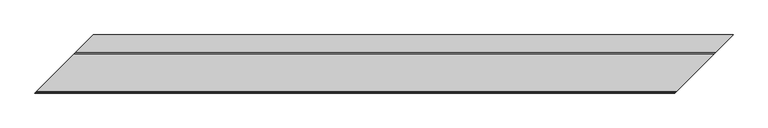
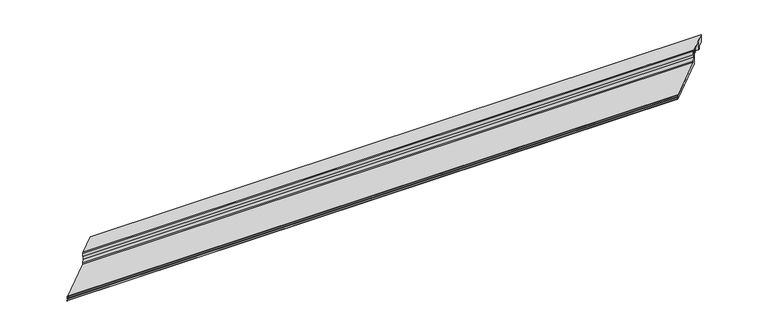
"""IFC4 building model written with IfcOpenShell, lengths in millimetres: proxy geometry."""

from ifc_helpers import new_model, si_unit, frame, origin, place, context, project, spatial, polyline, ellipse_curve, faceted_brep, source, transform, mapped, element, save
from ifc_brep_helpers import plane_surface, cylinder_surface, revolved_surface, advanced_brep


def specialty_equipment_6fc9a6f1(model_context):
    return source(origin(), model_context, "Body", "SolidModel", [
        faceted_brep([(165.632524, 165.632524, 63.5), (235.482524, 235.482524, 63.5), (235.482524, 235.482524, 31.75), (215.241899, 215.241899, 31.75), (215.241899, 215.241899, 19.05), (212.9598677, 212.9598677, 19.05), (212.9598677, 212.9598677, 61.1898306), (175.284524, 175.284524, 61.1898306), (175.284524, 175.284524, 44.45), (165.632524, 165.632524, 44.45), (2826.2751315, 235.482524, 63.5), (2756.4251315, 165.632524, 63.5), (2756.4251315, 165.632524, 44.45), (2766.0771315, 175.284524, 44.45), (2766.0771315, 175.284524, 61.1898306), (2803.7524752, 212.9598677, 61.1898306), (2803.7524752, 212.9598677, 19.05), (2806.0345065, 215.241899, 19.05), (2806.0345065, 215.241899, 31.75), (2826.2751315, 235.482524, 31.75)], [[[0, 1, 2, 3, 4, 5, 6, 7, 8, 9]], [[10, 11, 12, 13, 14, 15, 16, 17, 18, 19]], [[10, 1, 0, 11]], [[11, 0, 9, 12]], [[12, 9, 8, 13]], [[13, 8, 7, 14]], [[14, 7, 6, 15]], [[15, 6, 5, 16]], [[16, 5, 4, 17]], [[17, 4, 3, 18]], [[18, 3, 2, 19]], [[1, 10, 19, 2]]]),
        advanced_brep(
        [(165.632524, 165.632524, 0.0), (0.0, 0.0, 0.0), (0.0, 0.0, 1.651), (8.368424, 8.368424, 1.7970714), (8.368424, 8.368424, 9.7466904), (7.805541, 7.805541, 10.3095735), (1.0402986, 1.0402986, 10.3095735), (0.5832573, 0.5832573, 11.0269846), (2.843924, 2.843924, 15.875), (5.206124, 5.206124, 15.875), (5.206124, 5.206124, 12.7), (159.282524, 159.282524, 12.7), (159.282524, 159.282524, 19.05), (163.346524, 163.346524, 31.75), (163.346524, 163.346524, 46.0298451), (158.495124, 158.495124, 48.3942822), (158.495124, 158.495124, 63.5), (165.632524, 165.632524, 63.5), (2590.7926075, 0.0, 0.0), (2756.4251315, 165.632524, 0.0), (2756.4251315, 165.632524, 63.5), (2749.2877315, 158.495124, 63.5), (2749.2877315, 158.495124, 48.3942822), (2754.1391315, 163.346524, 46.0298451), (2754.1391315, 163.346524, 31.75), (2750.0751315, 159.282524, 19.05), (2750.0751315, 159.282524, 12.7), (2595.9987315, 5.206124, 12.7), (2595.9987315, 5.206124, 15.875), (2593.6365315, 2.843924, 15.875), (2591.3758648, 0.5832573, 11.0269846), (2591.8329061, 1.0402986, 10.3095735), (2598.5981485, 7.805541, 10.3095735), (2599.1610315, 8.368424, 9.7466904), (2599.1610315, 8.368424, 1.7970714), (2590.7926075, 0.0, 1.651)],
        [
            (0, 1),
            (1, 2),
            (2, 3),
            (3, 4),
            (4, 5, ellipse_curve(frame((7.805541, 7.805541, 9.7466904), z_axis=(0.7071067811865485, -0.7071067811865466, 0.0), x_axis=(0.7071067811865466, 0.7071067811865485, 0.0)), 0.7960368, 0.562883)),
            (5, 6),
            (6, 7, ellipse_curve(frame((1.0402986, 1.0402986, 10.8138628), z_axis=(-0.7071067811865485, 0.7071067811865466, 0.0), x_axis=(-0.7071067811865466, -0.7071067811865485, 0.0)), 0.7131728, 0.5042893)),
            (7, 8),
            (8, 9),
            (9, 10),
            (10, 11),
            (11, 12),
            (12, 13),
            (13, 14),
            (14, 15),
            (15, 16),
            (16, 17),
            (17, 0),
            (18, 19),
            (19, 20),
            (20, 21),
            (21, 22),
            (22, 23),
            (23, 24),
            (24, 25),
            (25, 26),
            (26, 27),
            (27, 28),
            (28, 29),
            (29, 30),
            (30, 31, ellipse_curve(frame((2591.8329061, 1.0402986, 10.8138628), z_axis=(0.7071067811865469, -0.7071067811865482, 0.0), x_axis=(-0.707106781186548, -0.7071067811865469, 0.0)), 0.7131728, 0.5042893)),
            (31, 32),
            (32, 33, ellipse_curve(frame((2598.5981485, 7.805541, 9.7466904), z_axis=(-0.7071067811865469, 0.7071067811865482, 0.0), x_axis=(0.707106781186548, 0.7071067811865469, 0.0)), 0.7960368, 0.562883)),
            (33, 34),
            (34, 35),
            (35, 18),
            (0, 19),
            (18, 1),
            (35, 2),
            (34, 3),
            (33, 4),
            (32, 5),
            (31, 6),
            (30, 7),
            (29, 8),
            (28, 9),
            (27, 10),
            (26, 11),
            (25, 12),
            (24, 13),
            (23, 14),
            (22, 15),
            (21, 16),
            (20, 17),
        ],
        [
            plane_surface(frame((0.0, 0.0, 304.8), z_axis=(-0.7071067811865485, 0.7071067811865466, 0.0), x_axis=(0.0, 0.0, -1.0))),
            plane_surface(frame((3098.7926075, 508.0, 304.8), z_axis=(0.7071067811865469, -0.7071067811865482, 0.0), x_axis=(0.0, 0.0, -1.0))),
            plane_surface(frame((-406.4, 165.632524, 0.0), z_axis=(0.0, 0.0, -1.0), x_axis=(1.0, 0.0, 0.0))),
            plane_surface(frame((-406.4, 0.0, 0.0), z_axis=(0.0, -1.0, 0.0), x_axis=(1.0, 0.0, 0.0))),
            plane_surface(frame((-406.4, 0.0, 1.651), z_axis=(0.0, -0.01745240643728535, 0.9998476951563913), x_axis=(1.0, 0.0, 0.0))),
            plane_surface(frame((-406.4, 8.368424, 1.7970714), z_axis=(0.0, -1.0, 0.0), x_axis=(1.0, 0.0, 0.0))),
            revolved_surface(polyline([(2599.1610315193543, 8.368424, 9.7466904), (7.242657980645959, 8.368424, 9.7466904)]), (-406.4, 7.805541, 9.7466904), (1.0, 0.0, 0.0)),
            plane_surface(frame((-406.4, 7.805541, 10.3095735), z_axis=(0.0, 0.0, -1.0), x_axis=(1.0, 0.0, 0.0))),
            cylinder_surface(frame((-406.4, 1.0402986, 10.8138628), z_axis=(-1.0, 0.0, 0.0), x_axis=(0.0, 1.0, 0.0)), 0.5042893),
            plane_surface(frame((-406.4, 0.5832573, 11.0269846), z_axis=(0.0, -0.9063077870366325, 0.4226182617407369), x_axis=(1.0, 0.0, 0.0))),
            plane_surface(frame((-406.4, 2.843924, 15.875), z_axis=(0.0, 0.0, 1.0), x_axis=(1.0, 0.0, 0.0))),
            plane_surface(frame((-406.4, 5.206124, 15.875), z_axis=(0.0, 1.0, 0.0), x_axis=(1.0, 0.0, 0.0))),
            plane_surface(frame((-406.4, 5.206124, 12.7), z_axis=(0.0, 0.0, 1.0), x_axis=(1.0, 0.0, 0.0))),
            plane_surface(frame((-406.4, 159.282524, 12.7), z_axis=(0.0, -1.0, 0.0), x_axis=(1.0, 0.0, 0.0))),
            plane_surface(frame((-406.4, 159.282524, 19.05), z_axis=(0.0, -0.9524241471993259, 0.3047757271037786), x_axis=(1.0, 0.0, 0.0))),
            plane_surface(frame((-406.4, 163.346524, 31.75), z_axis=(0.0, -1.0, 0.0), x_axis=(1.0, 0.0, 0.0))),
            plane_surface(frame((-406.4, 163.346524, 46.0298451), z_axis=(0.0, -0.4381093610951833, -0.8989216805266022), x_axis=(1.0, 0.0, 0.0))),
            plane_surface(frame((-406.4, 158.495124, 48.3942822), z_axis=(0.0, -1.0, 0.0), x_axis=(1.0, 0.0, 0.0))),
            plane_surface(frame((-406.4, 158.495124, 63.5), z_axis=(0.0, 0.0, 1.0), x_axis=(1.0, 0.0, 0.0))),
            plane_surface(frame((-406.4, 165.632524, 63.5), z_axis=(0.0, 1.0, 0.0), x_axis=(1.0, 0.0, 0.0))),
        ],
        [
            (0, [[1, 2, 3, 4, 5, 6, 7, 8, 9, 10, 11, 12, 13, 14, 15, 16, 17, 18]]),
            (1, [[19, 20, 21, 22, 23, 24, 25, 26, 27, 28, 29, 30, 31, 32, 33, 34, 35, 36]]),
            (2, [[37, -19, 38, -1]]),
            (3, [[-38, -36, 39, -2]]),
            (4, [[-39, -35, 40, -3]]),
            (5, [[-40, -34, 41, -4]]),
            (6, [[-41, -33, 42, -5]]),
            (7, [[-42, -32, 43, -6]]),
            (8, [[-43, -31, 44, -7]]),
            (9, [[-44, -30, 45, -8]]),
            (10, [[-45, -29, 46, -9]]),
            (11, [[-46, -28, 47, -10]]),
            (12, [[-47, -27, 48, -11]]),
            (13, [[-48, -26, 49, -12]]),
            (14, [[-49, -25, 50, -13]]),
            (15, [[-50, -24, 51, -14]]),
            (16, [[-51, -23, 52, -15]]),
            (17, [[-52, -22, 53, -16]]),
            (18, [[-53, -21, 54, -17]]),
            (19, [[-37, -18, -54, -20]]),
        ],
    ),
    ])


if __name__ == "__main__":
    model = new_model("IFC4")
    model_context = context("Model", 3, world=origin())
    ifc_project = project(units=[si_unit("LENGTHUNIT", "METRE", prefix="MILLI")], contexts=[model_context])
    site = spatial("IfcSite", under=ifc_project)
    building = spatial("IfcBuilding", under=site)
    placement = place(None, origin())
    specialty_equipment_shape = specialty_equipment_6fc9a6f1(model_context)
    element("IfcBuildingElementProxy", 1, Name="Specialty Equipment", at=placement, inside=building, context=model_context, shape_type="MappedRepresentation", body=[
        mapped(specialty_equipment_shape, transform((0.0, 0.0, 0.0), x_axis=(1.0, 0.0, 0.0), y_axis=(0.0, 1.0, 0.0), z_axis=(0.0, 0.0, 1.0))),
    ])
    save(model, "model.ifc")
